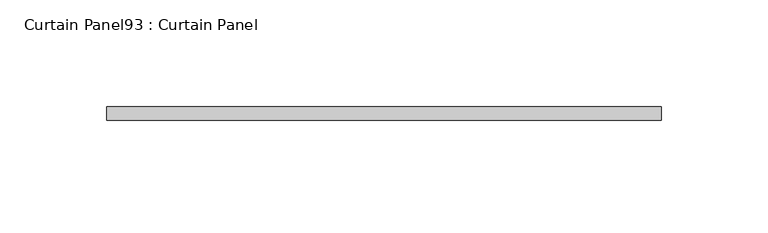
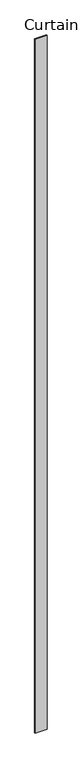
"""IFC4 building model written with IfcOpenShell, lengths in millimetres: plate geometry, Curtain Panel93 : Curtain Panel."""

from ifc_helpers import new_model, si_unit, frame, origin, place, context, project, spatial, polyline, outline, extrude, source, transform, mapped, element, save


def curtain_panel93_curtain_panel_f296711a(model_context):
    return source(origin(), model_context, "Body", "SweptSolid", [
        extrude(outline(polyline([(176867.3450674, 7961.9084949), (176606.9950674, 7961.9084949), (176606.9950674, 7968.2584949), (176867.3450674, 7968.2584949), (176867.3450674, 7961.9084949)])), frame((0.0, 0.0, 1433.7679301), z_axis=(0.0, 0.0, 1.0), x_axis=(1.0, 0.0, 0.0)), (0.0, 0.0, 1.0), 15837.0064664),
    ])


if __name__ == "__main__":
    model = new_model("IFC4")
    model_context = context("Model", 3, world=origin())
    ifc_project = project(units=[si_unit("LENGTHUNIT", "METRE", prefix="MILLI")], contexts=[model_context])
    site = spatial("IfcSite", under=ifc_project)
    building = spatial("IfcBuilding", under=site)
    placement = place(None, origin())
    curtain_panel93_curtain_panel_shape = curtain_panel93_curtain_panel_f296711a(model_context)
    element("IfcPlate", 1, ObjectType="Curtain Panel93 : Curtain Panel", at=placement, inside=building, context=model_context, shape_type="MappedRepresentation", body=[
        mapped(curtain_panel93_curtain_panel_shape, transform((0.0, 0.0, 0.0), x_axis=(1.0, 0.0, 0.0), y_axis=(0.0, 1.0, 0.0), z_axis=(0.0, 0.0, 1.0))),
    ])
    save(model, "model.ifc")
